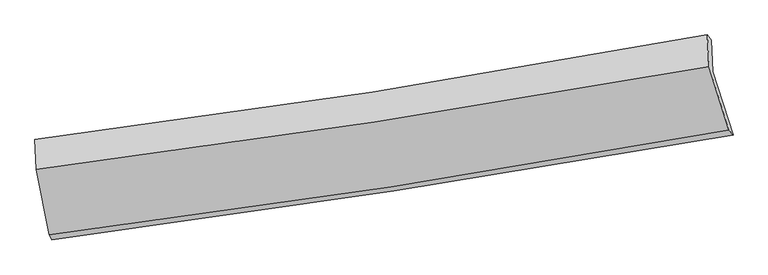
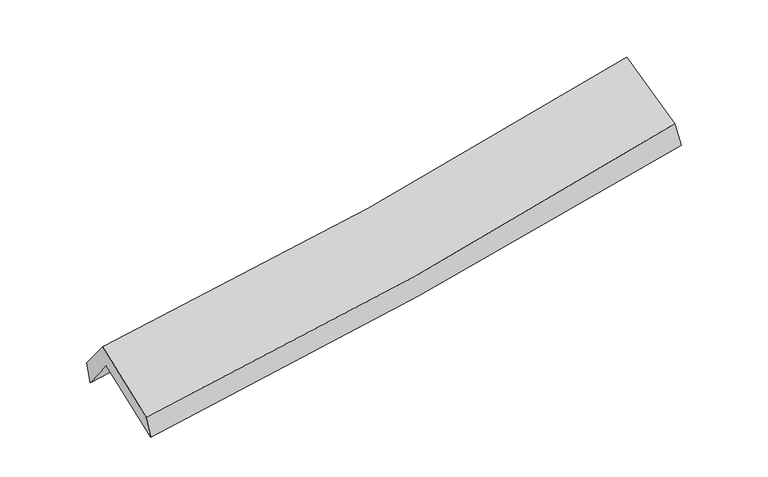
"""IFC4 building model written with IfcOpenShell, lengths in millimetres: proxy geometry."""

import ifcopenshell
import ifcopenshell.guid

model = None  # the IFC model being written
_history = None  # IfcOwnerHistory: only IFC2X3 demands one
_inside = {}  # id of a spatial element -> (the spatial element, [elements in it])
_under = {}  # id of a project, library or spatial element -> (it, [spatial elements below it])
_declared = {}  # id of a project -> (the project, [libraries it declares])
_typed = {}  # id of a type object -> (the type object, [elements of that type])
_made_of = {}  # id of a material, layer set ... -> (it, [elements and type objects made of it])


def new_model(schema):
    """Start an empty IFC model of exactly this schema.

    Asked for "IFC4X3", IfcOpenShell would pick the latest addendum, in which some entities
    have other attributes; the version numbers below select the first issue.
    IFC2X3 requires an IfcOwnerHistory on every rooted entity: one is made here for all.
    """
    global model, _history
    if schema == "IFC4X3":
        model = ifcopenshell.file(schema_version=(4, 3, 0, 0))
    else:
        model = ifcopenshell.file(schema=schema)
    _inside.clear()
    _under.clear()
    _declared.clear()
    _typed.clear()
    _made_of.clear()
    _history = None
    if model.schema == "IFC2X3":
        org = make("IfcOrganization", Name="unknown")
        user = make(
            "IfcPersonAndOrganization",
            ThePerson=make("IfcPerson", FamilyName="unknown"),
            TheOrganization=org,
        )
        app = make(
            "IfcApplication",
            ApplicationDeveloper=org,
            Version="unknown",
            ApplicationFullName="unknown",
            ApplicationIdentifier="unknown",
        )
        _history = make(
            "IfcOwnerHistory",
            OwningUser=user,
            OwningApplication=app,
            ChangeAction="ADDED",
            CreationDate=0,
        )
    return model


def make(cls, **values):
    """One entity of the class cls with the attributes given. An attribute that is None is left unset."""
    return model.create_entity(
        cls, **{name: value for name, value in values.items() if value is not None}
    )


def rooted(cls, **values):
    """An entity with a GlobalId (a new one), such as an element, a storey or a relation."""
    return make(cls, GlobalId=ifcopenshell.guid.new(), OwnerHistory=_history, **values)


def si_unit(unit_type, name, prefix=None):
    """IfcSIUnit, for example si_unit("LENGTHUNIT", "METRE", prefix="MILLI")."""
    return make("IfcSIUnit", UnitType=unit_type, Prefix=prefix, Name=name)


def assignment(units):
    """IfcUnitAssignment: the units of a project."""
    return None if units is None else make("IfcUnitAssignment", Units=units)


def point(xyz):
    """IfcCartesianPoint."""
    return None if xyz is None else make("IfcCartesianPoint", Coordinates=xyz)


def direction(xyz):
    """IfcDirection."""
    return None if xyz is None else make("IfcDirection", DirectionRatios=xyz)


def frame(location, z_axis=None, x_axis=None):
    """IfcAxis2Placement3D, a coordinate frame: its origin and axes. An axis left out is left unset."""
    return make(
        "IfcAxis2Placement3D",
        Location=point(location),
        Axis=direction(z_axis),
        RefDirection=direction(x_axis),
    )


def origin():
    """The frame at (0, 0, 0) with its axes left unset."""
    return frame((0.0, 0.0, 0.0))


def place(relative_to, where):
    """IfcLocalPlacement: puts the frame where relative to a parent placement (None: the world)."""
    return make(
        "IfcLocalPlacement", PlacementRelTo=relative_to, RelativePlacement=where
    )


def context(
    kind, dimensions, precision=None, world=None, true_north=None, identifier=None
):
    """IfcGeometricRepresentationContext, for example the 3D "Model" context."""
    return make(
        "IfcGeometricRepresentationContext",
        ContextIdentifier=identifier,
        ContextType=kind,
        CoordinateSpaceDimension=dimensions,
        Precision=precision,
        WorldCoordinateSystem=world,
        TrueNorth=true_north,
    )


def project(units=None, contexts=None):
    """IfcProject with its units and contexts."""
    return rooted(
        "IfcProject",
        Name="project",
        RepresentationContexts=contexts,
        UnitsInContext=assignment(units),
    )


def spatial(cls, under=None, at=None, **own):
    """A site, building, storey or space (cls), placed at a placement, below another one or the project."""
    s = rooted(cls, ObjectPlacement=at, **own)
    if under is not None:
        _under.setdefault(under.id(), (under, []))[1].append(s)
    return s


def shape(context_of_items, identifier, shape_type, items):
    """IfcShapeRepresentation: the items that make up one representation, for example the "Body"."""
    return make(
        "IfcShapeRepresentation",
        ContextOfItems=context_of_items,
        RepresentationIdentifier=identifier,
        RepresentationType=shape_type,
        Items=items,
    )


def source(mapping_origin, context_of_items, identifier, shape_type, items):
    """IfcRepresentationMap: a shape defined once, which mapped items show again and again."""
    return make(
        "IfcRepresentationMap",
        MappingOrigin=mapping_origin,
        MappedRepresentation=shape(context_of_items, identifier, shape_type, items),
    )


def transform(
    local_origin,
    x_axis=None,
    y_axis=None,
    z_axis=None,
    scale=None,
    scale2=None,
    scale3=None,
    uniform=True,
):
    """IfcCartesianTransformationOperator3D, or its non-uniform kind. x_axis, y_axis, z_axis: its Axis1, 2, 3."""
    if uniform:
        return make(
            "IfcCartesianTransformationOperator3D",
            Axis1=direction(x_axis),
            Axis2=direction(y_axis),
            LocalOrigin=point(local_origin),
            Scale=scale,
            Axis3=direction(z_axis),
        )
    return make(
        "IfcCartesianTransformationOperator3DnonUniform",
        Axis1=direction(x_axis),
        Axis2=direction(y_axis),
        LocalOrigin=point(local_origin),
        Scale=scale,
        Axis3=direction(z_axis),
        Scale2=scale2,
        Scale3=scale3,
    )


def mapped(mapping_source, mapping_target):
    """IfcMappedItem: shows the shape of a source again, moved by a transform."""
    return make(
        "IfcMappedItem", MappingSource=mapping_source, MappingTarget=mapping_target
    )


def made_of(thing, what):
    """Note that an element or type object is made of a material, layer set ...; save() writes the relation."""
    if what is not None:
        _made_of.setdefault(what.id(), (what, []))[1].append(thing)
    return thing


def element(
    cls,
    number,
    at=None,
    inside=None,
    cuts=None,
    type_object=None,
    material=None,
    context=None,
    identifier="Body",
    shape_type=None,
    held_by="IfcProductDefinitionShape",
    body=None,
    shapes=None,
    **own,
):
    """One element of the class cls, such as IfcWall. Its Tag is "e" and its number.

    at: its placement. inside: the storey or other place that contains it. cuts: it is an
    opening in that element (IfcRelVoidsElement). A single representation is given by context,
    identifier, shape_type and body (its items); several are given by shapes. held_by: the class
    of the entity that holds the representations. save() writes the other relations.
    """
    e = rooted(cls, Tag="e%d" % number, ObjectPlacement=at, **own)
    if body is not None:
        shapes = [shape(context, identifier, shape_type, body)]
    if shapes is not None:
        e.Representation = make(held_by, Representations=shapes)
    if inside is not None:
        _inside.setdefault(inside.id(), (inside, []))[1].append(e)
    if cuts is not None:
        rooted(
            "IfcRelVoidsElement", RelatingBuildingElement=cuts, RelatedOpeningElement=e
        )
    if type_object is not None:
        _typed.setdefault(type_object.id(), (type_object, []))[1].append(e)
    return made_of(e, material)


def aggregate(whole, parts):
    """IfcRelAggregates: a whole, such as a stair, and the parts it consists of."""
    return rooted("IfcRelAggregates", RelatingObject=whole, RelatedObjects=parts)


def save(model, path):
    """Write the relations noted so far, then the file.

    IfcRelAggregates (storeys below a building ...), IfcRelContainedInSpatialStructure (elements
    in a storey), IfcRelDefinesByType, IfcRelAssociatesMaterial and IfcRelDeclares: one each for
    every whole, place, type object, material and project.
    """
    for whole, parts in _under.values():
        aggregate(whole, parts)
    for where, things in _inside.values():
        rooted(
            "IfcRelContainedInSpatialStructure",
            RelatedElements=things,
            RelatingStructure=where,
        )
    for kind, things in _typed.values():
        rooted("IfcRelDefinesByType", RelatedObjects=things, RelatingType=kind)
    for what, things in _made_of.values():
        rooted("IfcRelAssociatesMaterial", RelatedObjects=things, RelatingMaterial=what)
    for by, libraries in _declared.values():
        rooted("IfcRelDeclares", RelatingContext=by, RelatedDefinitions=libraries)
    model.write(path)


def plane_surface(at):
    """IfcPlane: the flat surface through the origin of the frame at, square to its z axis."""
    return make("IfcPlane", Position=at)


def spline_curve(degree, points, multiplicities, knots, weights=None):
    """IfcBSplineCurveWithKnots; with weights, IfcRationalBSplineCurveWithKnots."""
    own = dict(
        Degree=degree,
        ControlPointsList=[point(p) for p in points],
        CurveForm="UNSPECIFIED",
        ClosedCurve=False,
        SelfIntersect=False,
        KnotMultiplicities=multiplicities,
        Knots=knots,
        KnotSpec="UNSPECIFIED",
    )
    if weights is None:
        return make("IfcBSplineCurveWithKnots", **own)
    return make("IfcRationalBSplineCurveWithKnots", WeightsData=weights, **own)


def spline_surface(u_degree, v_degree, points, u_multiplicities, v_multiplicities, u_knots, v_knots, weights=None):
    """IfcBSplineSurfaceWithKnots; with weights, IfcRationalBSplineSurfaceWithKnots. points: one row for each step in u."""
    own = dict(
        UDegree=u_degree,
        VDegree=v_degree,
        ControlPointsList=[[point(p) for p in row] for row in points],
        SurfaceForm="UNSPECIFIED",
        UClosed=False,
        VClosed=False,
        SelfIntersect=False,
        UMultiplicities=u_multiplicities,
        VMultiplicities=v_multiplicities,
        UKnots=u_knots,
        VKnots=v_knots,
        KnotSpec="UNSPECIFIED",
    )
    if weights is None:
        return make("IfcBSplineSurfaceWithKnots", **own)
    return make("IfcRationalBSplineSurfaceWithKnots", WeightsData=weights, **own)


def advanced_brep(points, edges, surfaces, faces):
    """IfcAdvancedBrep: a solid bounded by faces that lie on surfaces and meet in shared edges.

    An edge is (start, end): straight between two places in points (the first is 0);
    or (start, end, curve); or (start, end, curve, False) where it runs against its curve.
    A face is (place in surfaces, loops), or (place, loops, False) where it looks against
    its surface's normal. A loop lists edges by number (the first is 1), with a minus sign
    where the edge is run from its end to its start. The first loop is the outer one.
    """
    corners = [point(p) for p in points]
    vertices = [make("IfcVertexPoint", VertexGeometry=c) for c in corners]
    made = []
    for start, end, *more in edges:
        made.append(
            make(
                "IfcEdgeCurve",
                EdgeStart=vertices[start],
                EdgeEnd=vertices[end],
                EdgeGeometry=more[0] if more else make("IfcPolyline", Points=[corners[start], corners[end]]),
                SameSense=more[1] if len(more) > 1 else True,
            )
        )
    hull = []
    for where, loops, *sense in faces:
        bounds = []
        for j, loop in enumerate(loops):
            ring = [make("IfcOrientedEdge", EdgeElement=made[abs(k) - 1], Orientation=k > 0) for k in loop]
            bounds.append(
                make(
                    "IfcFaceOuterBound" if j == 0 else "IfcFaceBound",
                    Bound=make("IfcEdgeLoop", EdgeList=ring),
                    Orientation=True,
                )
            )
        hull.append(make("IfcAdvancedFace", Bounds=bounds, FaceSurface=surfaces[where], SameSense=sense[0] if sense else True))
    return make("IfcAdvancedBrep", Outer=make("IfcClosedShell", CfsFaces=hull))


def generic_models_d8925ae4(model_context):
    return source(origin(), model_context, "Body", "AdvancedBrep", [
        advanced_brep(
        [(-2577.2993689, -2491.9353808, 1482.6261007), (-2679.8530593, -1969.897848, 1896.5027832), (2602.6837892, -1171.4947494, 2364.47359), (2761.0700692, -1667.3114643, 1943.167978), (-2691.335568, -1728.863971, 1589.6328641), (2590.9212707, -924.5830759, 2050.1204117), (-2708.1065134, -1704.3413544, 1775.0265001), (2559.2335847, -882.7253655, 2228.7425824), (-2696.1532531, -1940.163637, 2065.2790305), (2572.2691461, -1131.3903952, 2536.0376908), (-2595.4951767, -2452.5517692, 1659.0524912), (2727.4911752, -1627.7584721, 2140.3525724)],
        [
            (0, 1),
            (1, 2, spline_curve(3, [(-2679.8530593, -1969.897848, 1896.5027832), (-1793.564994823, -1855.778016459, 1952.2032422), (-909.641014482, -1732.085702147, 2019.116217378), (851.19235447, -1465.901745781, 2175.164572439), (1728.113990227, -1323.459693845, 2264.241866287), (2602.6837892, -1171.4947494, 2364.47359)], [4, 2, 4], [0.0, 8.858185812191373, 17.69339693052684])),
            (2, 3),
            (3, 0, spline_curve(3, [(2761.0700692, -1667.3114643, 1943.167978), (1877.076070656, -1822.872566441, 1844.95627246), (990.795576022, -1969.294429607, 1757.507769625), (-788.64899649, -2244.216660481, 1603.9377617), (-1681.824980996, -2372.669436408, 1537.87230514), (-2577.2993689, -2491.9353808, 1482.6261007)], [4, 2, 4], [0.0, 8.835211118335469, 17.69339693052684])),
            (1, 4),
            (4, 5, spline_curve(3, [(-2691.335568, -1728.863971, 1589.6328641), (-1805.189492374, -1611.763599536, 1641.538678271), (-921.35980879, -1486.091861372, 1705.931568847), (839.380470854, -1217.953825908, 1859.492107573), (1716.3030669, -1075.531932333, 1948.595065732), (2590.9212707, -924.5830759, 2050.1204117)], [4, 2, 4], [0.0, 8.810380180739928, 17.59790965686627])),
            (5, 2),
            (4, 6),
            (6, 7, spline_curve(3, [(-2708.1065134, -1704.3413544, 1775.0265001), (-1822.910437346, -1593.469624277, 1828.120953206), (-940.801428616, -1469.459817817, 1892.541636752), (814.962611477, -1195.51975973, 2043.83900657), (1688.633635711, -1045.657570009, 2130.65701702), (2559.2335847, -882.7253655, 2228.7425824)], [4, 2, 4], [0.0, 8.80021963161236, 17.57761491112965])),
            (7, 5),
            (6, 8),
            (8, 9, spline_curve(3, [(-2696.1532531, -1940.163637, 2065.2790305), (-1811.032947493, -1825.695409529, 2113.789621561), (-928.871348573, -1700.962699002, 2177.345255426), (827.254123318, -1431.318443489, 2334.342749743), (1701.233324534, -1286.460073025, 2427.706669144), (2572.2691461, -1131.3903952, 2536.0376908)], [4, 2, 4], [0.0, 8.790659873943957, 17.558520190091635])),
            (9, 7),
            (8, 10),
            (10, 11, spline_curve(3, [(-2595.4951767, -2452.5517692, 1659.0524912), (-1700.479567371, -2337.996153521, 1707.261457963), (-808.817929181, -2211.881332047, 1771.547210124), (965.493479674, -1936.890350313, 1932.063856462), (1848.160625537, -1788.074073049, 2028.211464625), (2727.4911752, -1627.7584721, 2140.3525724)], [4, 2, 4], [0.0, 8.838377582762647, 17.653831846523858])),
            (11, 9),
            (10, 0),
            (3, 11),
        ],
        [
            spline_surface(3, 3, [[(-2577.2993689, -2491.9353808, 1482.6261007), (-1681.824981114, -2372.669436512, 1537.872305067), (-788.648996479, -2244.216660624, 1603.937761558), (990.795576011, -1969.294429464, 1757.507769766), (1877.076070757, -1822.872566474, 1844.956272354), (2761.0700692, -1667.3114643, 1943.167978)], [(-2611.483932366, -2317.922869893, 1620.584994878), (-1719.071652388, -2200.372296485, 1675.982617433), (-828.979669149, -2073.506341147, 1742.330580121), (944.261168856, -1801.496868237, 1896.726704031), (1827.422043933, -1656.401608902, 1984.718137024), (2708.274642538, -1502.039226006, 2083.603181982)], [(-2645.668495834, -2143.910358907, 1758.543889022), (-1756.318323663, -2028.07515638, 1814.092929766), (-869.310341853, -1902.796021646, 1880.723398688), (897.726761667, -1633.699306986, 2035.945638301), (1777.768017095, -1489.930651312, 2124.480001748), (2655.479215862, -1336.766987694, 2224.038386018)], [(-2679.8530593, -1969.897848, 1896.5027832), (-1793.564994937, -1855.778016353, 1952.203242133), (-909.641014523, -1732.085702169, 2019.116217251), (851.192354512, -1465.901745759, 2175.164572566), (1728.113990271, -1323.459693739, 2264.241866418), (2602.6837892, -1171.4947494, 2364.47359)]], [4, 4], [4, 2, 4], [0.0, 2.196462224422001], [0.0, 8.858185812191373, 17.69339693052684]),
            spline_surface(3, 3, [[(-2679.8530593, -1969.897848, 1896.5027832), (-1793.564994937, -1855.778016353, 1952.203242133), (-909.641014523, -1732.085702169, 2019.116217251), (851.192354512, -1465.901745759, 2175.164572566), (1728.113990271, -1323.459693739, 2264.241866418), (2602.6837892, -1171.4947494, 2364.47359)], [(-2683.680562193, -1889.553222334, 1794.212810164), (-1797.439827377, -1774.439877458, 1848.648387462), (-913.547279272, -1650.087755276, 1914.721334491), (847.255059918, -1383.252439117, 2069.940417523), (1724.177015784, -1240.817106587, 2159.026266228), (2598.762949704, -1089.19085821, 2259.689197257)], [(-2687.508065107, -1809.208596666, 1691.922837136), (-1801.314659839, -1693.10173856, 1745.093532799), (-917.453543969, -1568.089808362, 1810.326451737), (843.317765375, -1300.603132454, 1964.716262486), (1720.240041286, -1158.174519504, 2053.810665968), (2594.842110196, -1006.88696709, 2154.904804443)], [(-2691.335568, -1728.863971, 1589.6328641), (-1805.189492279, -1611.763599665, 1641.538678129), (-921.359808717, -1486.091861469, 1705.931568978), (839.380470782, -1217.953825811, 1859.492107443), (1716.303066799, -1075.531932352, 1948.595065779), (2590.9212707, -924.5830759, 2050.1204117)]], [4, 4], [4, 2, 4], [0.0, 1.3123157070769769], [0.0, 8.810380180739928, 17.59790965686627]),
            spline_surface(3, 3, [[(-2691.335568, -1728.863971, 1589.6328641), (-1805.189492279, -1611.763599665, 1641.538678129), (-921.359808717, -1486.091861469, 1705.931568978), (839.380470782, -1217.953825811, 1859.492107443), (1716.303066799, -1075.531932352, 1948.595065779), (2590.9212707, -924.5830759, 2050.1204117)], [(-2696.925883133, -1720.68976544, 1651.430742761), (-1811.09647392, -1605.665607882, 1703.732769847), (-927.840348691, -1480.547846888, 1768.134924928), (831.24118436, -1210.475803772, 1920.941073777), (1707.079923089, -1065.573811594, 2009.28238285), (2580.358708704, -910.630505789, 2109.661135272)], [(-2702.516198267, -1712.51555996, 1713.228621439), (-1817.003455562, -1599.567616179, 1765.926861582), (-934.320888674, -1475.003832371, 1830.338280903), (823.101897929, -1202.997781796, 1982.390040135), (1697.856779366, -1055.615690768, 2069.969699905), (2569.796146696, -896.677935611, 2169.201858828)], [(-2708.1065134, -1704.3413544, 1775.0265001), (-1822.910437203, -1593.469624396, 1828.120953299), (-940.801428647, -1469.45981779, 1892.541636854), (814.962611507, -1195.519759757, 2043.839006469), (1688.633635656, -1045.65757001, 2130.657016976), (2559.2335847, -882.7253655, 2228.7425824)]], [4, 4], [4, 2, 4], [0.0, 0.6161102240856546], [0.0, 8.80021963161236, 17.57761491112965]),
            spline_surface(3, 3, [[(-2708.1065134, -1704.3413544, 1775.0265001), (-1822.910437203, -1593.469624396, 1828.120953299), (-940.801428647, -1469.45981779, 1892.541636854), (814.962611507, -1195.519759757, 2043.839006469), (1688.633635656, -1045.65757001, 2130.657016976), (2559.2335847, -882.7253655, 2228.7425824)], [(-2704.122093301, -1782.948781955, 1871.777343581), (-1818.95127392, -1670.878219425, 1923.343842709), (-936.824735329, -1546.62744492, 1987.476176406), (819.059782158, -1274.119320996, 2140.673587557), (1692.833531947, -1125.925071041, 2229.67356769), (2563.578771824, -965.613708737, 2331.17428519)], [(-2700.137673199, -1861.556209445, 1968.528187019), (-1814.992110634, -1748.286814389, 2018.566732074), (-932.848042022, -1623.795071969, 2082.410715922), (823.156952797, -1352.718882153, 2237.508168607), (1697.033428265, -1206.192572062, 2328.690118433), (2567.923958976, -1048.502051963, 2433.60598801)], [(-2696.1532531, -1940.163637, 2065.2790305), (-1811.03294735, -1825.695409418, 2113.789621483), (-928.871348703, -1700.9626991, 2177.345255475), (827.254123448, -1431.318443392, 2334.342749695), (1701.233324555, -1286.460073093, 2427.706669147), (2572.2691461, -1131.3903952, 2536.0376908)]], [4, 4], [4, 2, 4], [0.0, 1.216466864583062], [0.0, 8.790659873943957, 17.558520190091635]),
            spline_surface(3, 3, [[(-2696.1532531, -1940.163637, 2065.2790305), (-1811.03294735, -1825.695409418, 2113.789621483), (-928.871348703, -1700.9626991, 2177.345255475), (827.254123448, -1431.318443392, 2334.342749695), (1701.233324555, -1286.460073093, 2427.706669147), (2572.2691461, -1131.3903952, 2536.0376908)], [(-2662.600560955, -2110.959681058, 1929.870184059), (-1774.181820647, -1996.462324086, 1978.280233634), (-888.853542152, -1871.268910037, 2042.079240381), (873.333908856, -1599.842412409, 2200.24978524), (1750.209091528, -1453.664739691, 2294.541600931), (2624.009822482, -1296.846420806, 2404.142651339)], [(-2629.047868845, -2281.755725142, 1794.461337641), (-1737.330693979, -2167.22923878, 1842.770845808), (-848.835735666, -2041.575120976, 1906.813225318), (919.413694199, -1768.366381429, 2066.156820817), (1799.184858456, -1620.869406369, 2161.376532698), (2675.750498818, -1462.302446494, 2272.247611861)], [(-2595.4951767, -2452.5517692, 1659.0524912), (-1700.479567276, -2337.996153448, 1707.26145796), (-808.817929115, -2211.881331914, 1771.547210224), (965.493479608, -1936.890350446, 1932.063856362), (1848.160625429, -1788.074072966, 2028.211464482), (2727.4911752, -1627.7584721, 2140.3525724)]], [4, 4], [4, 2, 4], [0.0, 2.171915436163896], [0.0, 8.838377582762647, 17.653831846523858]),
            spline_surface(3, 3, [[(-2595.4951767, -2452.5517692, 1659.0524912), (-1700.479567276, -2337.996153448, 1707.26145796), (-808.817929115, -2211.881331914, 1771.547210224), (965.493479608, -1936.890350446, 1932.063856362), (1848.160625429, -1788.074072966, 2028.211464482), (2727.4911752, -1627.7584721, 2140.3525724)], [(-2589.429907452, -2465.67963972, 1600.243694357), (-1694.261371907, -2349.553914456, 1650.798406985), (-802.094951592, -2222.659774797, 1715.677394012), (973.92751172, -1947.691710099, 1873.878494173), (1857.799107186, -1799.673570821, 1967.126400432), (2738.684139848, -1640.942802852, 2074.624374259)], [(-2583.364638148, -2478.80751028, 1541.434897543), (-1688.043176483, -2361.111675504, 1594.335356041), (-795.371974001, -2233.438217741, 1659.807577771), (982.3615439, -1958.493069812, 1815.693131955), (1867.437588999, -1811.27306862, 1906.041336404), (2749.877104552, -1654.127133548, 2008.896176141)], [(-2577.2993689, -2491.9353808, 1482.6261007), (-1681.824981114, -2372.669436512, 1537.872305067), (-788.648996479, -2244.216660624, 1603.937761558), (990.795576011, -1969.294429464, 1757.507769766), (1877.076070757, -1822.872566474, 1844.956272354), (2761.0700692, -1667.3114643, 1943.167978)]], [4, 4], [4, 2, 4], [0.0, 0.5760712942611022], [0.0, 8.895678728140846, 17.76828552036246]),
            plane_surface(frame((2635.6115058, -1234.2105871, 2210.4824709), z_axis=(0.9709348239893719, 0.2045262400864041, 0.12431646986962924), x_axis=(0.23752981636677242, -0.7595714267234871, -0.6055004822805791))),
            plane_surface(frame((-2658.0404899, -2047.9589934, 1744.6866283), z_axis=(-0.9879201003094141, -0.13765955275907443, -0.07115984077279126), x_axis=(-0.1001518374224634, 0.21677196844034388, 0.9710713275343903))),
        ],
        [
            (0, [[1, 2, 3, 4]]),
            (1, [[5, 6, 7, -2]]),
            (2, [[8, 9, 10, -6]]),
            (3, [[11, 12, 13, -9]]),
            (4, [[14, 15, 16, -12]]),
            (5, [[17, -4, 18, -15]]),
            (6, [[-16, -18, -3, -7, -10, -13]]),
            (7, [[-17, -14, -11, -8, -5, -1]]),
        ],
    ),
    ])


if __name__ == "__main__":
    model = new_model("IFC4")
    model_context = context("Model", 3, world=origin())
    ifc_project = project(units=[si_unit("LENGTHUNIT", "METRE", prefix="MILLI")], contexts=[model_context])
    site = spatial("IfcSite", under=ifc_project)
    building = spatial("IfcBuilding", under=site)
    placement = place(None, origin())
    generic_models_shape = generic_models_d8925ae4(model_context)
    element("IfcBuildingElementProxy", 1, Name="Generic Models", at=placement, inside=building, context=model_context, shape_type="MappedRepresentation", body=[
        mapped(generic_models_shape, transform((0.0, 0.0, 0.0), x_axis=(1.0, 0.0, 0.0), y_axis=(0.0, 1.0, 0.0), z_axis=(0.0, 0.0, 1.0))),
    ])
    save(model, "model.ifc")
